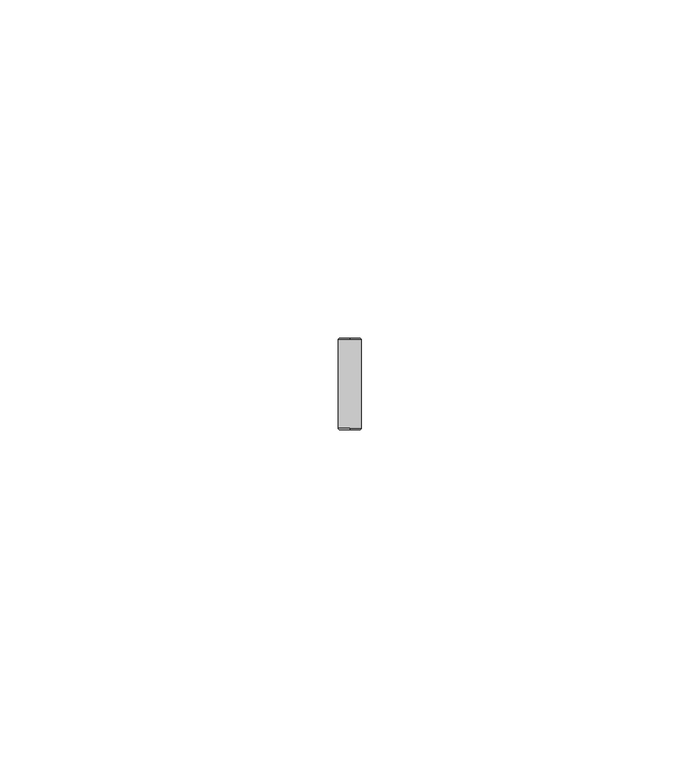
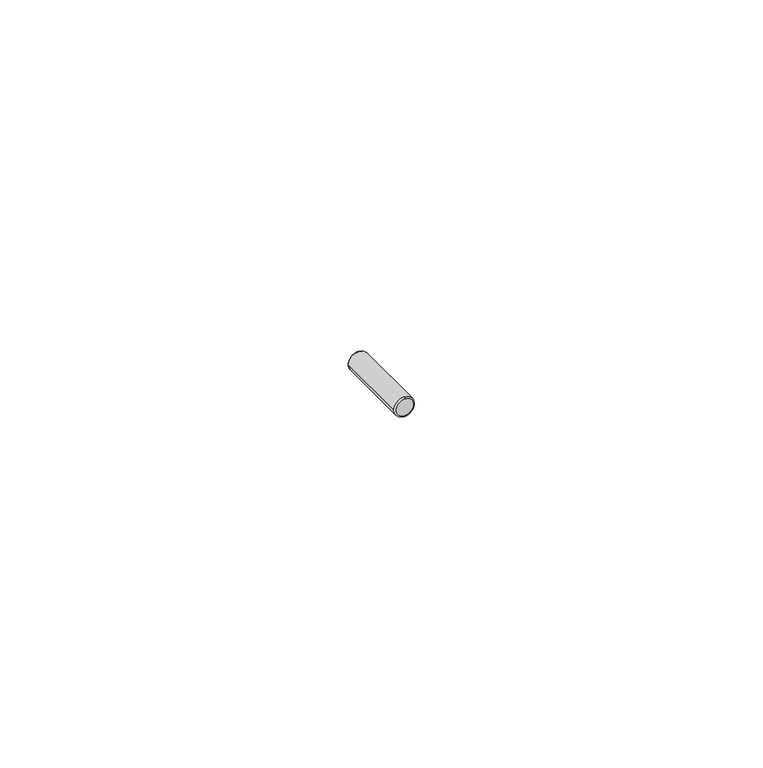
"""IFC4 building model written with IfcOpenShell, lengths in millimetres: proxy geometry."""

from ifc_helpers import new_model, si_unit, point, frame, origin, place, context, project, spatial, circle_curve, ellipse_curve, trimmed, source, transform, mapped, element, save
from ifc_brep_helpers import plane_surface, cylinder_surface, revolved_surface, advanced_brep


def generic_models_676ad0de(model_context):
    return source(origin(), model_context, "Body", "AdvancedBrep", [
        advanced_brep(
        [(0.0, 0.2, -1.69), (0.0, 0.0, -1.49), (-1.49, 0.0, 0.0), (0.0, 0.0, 1.49), (0.0, 0.2, 1.69), (-1.69, 0.2, 0.0), (-1.69, 13.3, 0.0), (1.69, 0.2, 0.0), (1.69, 13.3, 0.0), (0.0, 13.3, 1.69), (0.0, 13.5, -1.49), (0.0, 13.3, -1.69), (0.0, 13.5, 1.49), (-1.49, 13.5, 0.0)],
        [
            (0, 1, circle_curve(frame((0.0, 0.2, -1.49), z_axis=(-1.0, 0.0, 0.0), x_axis=(0.0, 0.0, -1.0)), 0.2)),
            (1, 2, circle_curve(frame((0.0, 0.0, 0.0), z_axis=(0.0, 1.0, 0.0), x_axis=(0.0, 0.0, 1.0)), 1.49)),
            (2, 3, circle_curve(frame((0.0, 0.0, 0.0), z_axis=(0.0, 1.0, 0.0), x_axis=(0.0, 0.0, 1.0)), 1.49)),
            (3, 4, circle_curve(frame((0.0, 0.2, 1.49), z_axis=(-1.0, 0.0, 0.0), x_axis=(0.0, 0.0, 1.0)), 0.2)),
            (4, 5, circle_curve(frame((0.0, 0.2, 0.0), z_axis=(0.0, -1.0, 0.0), x_axis=(0.0, 0.0, 1.0)), 1.69)),
            (5, 0, circle_curve(frame((0.0, 0.2, 0.0), z_axis=(0.0, -1.0, 0.0), x_axis=(0.0, 0.0, 1.0)), 1.69)),
            (6, 5),
            (4, 7, circle_curve(frame((0.0, 0.2, 0.0), z_axis=(0.0, 1.0, 0.0), x_axis=(-1.0, 0.0, 0.0)), 1.69)),
            (7, 8),
            (8, 9, circle_curve(frame((0.0, 13.3, 0.0), z_axis=(0.0, -1.0, 0.0), x_axis=(-1.0, 0.0, 0.0)), 1.69)),
            (9, 6, circle_curve(frame((0.0, 13.3, 0.0), z_axis=(0.0, -1.0, 0.0), x_axis=(-1.0, 0.0, 0.0)), 1.69)),
            (10, 11, circle_curve(frame((0.0, 13.3, -1.49), z_axis=(-1.0, 0.0, 0.0), x_axis=(0.0, 0.0, -1.0)), 0.2)),
            (11, 6, circle_curve(frame((0.0, 13.3, 0.0), z_axis=(0.0, 1.0, 0.0), x_axis=(0.0, 0.0, 1.0)), 1.69)),
            (9, 12, circle_curve(frame((0.0, 13.3, 1.49), z_axis=(-1.0, 0.0, 0.0), x_axis=(0.0, 0.0, 1.0)), 0.2)),
            (12, 13, circle_curve(frame((0.0, 13.5, 0.0), z_axis=(0.0, -1.0, 0.0), x_axis=(0.0, 0.0, 1.0)), 1.49)),
            (13, 10, circle_curve(frame((0.0, 13.5, 0.0), z_axis=(0.0, -1.0, 0.0), x_axis=(0.0, 0.0, 1.0)), 1.49)),
            (10, 12, circle_curve(frame((0.0, 13.5, 0.0), z_axis=(0.0, -1.0, 0.0), x_axis=(0.0, 0.0, -1.0)), 1.49)),
            (8, 11, circle_curve(frame((0.0, 13.3, 0.0), z_axis=(0.0, 1.0, 0.0), x_axis=(0.0, 0.0, -1.0)), 1.69)),
            (7, 0, circle_curve(frame((0.0, 0.2, 0.0), z_axis=(0.0, 1.0, 0.0), x_axis=(-1.0, 0.0, 0.0)), 1.69)),
            (3, 1, circle_curve(frame((0.0, 0.0, 0.0), z_axis=(0.0, 1.0, 0.0), x_axis=(0.0, 0.0, -1.0)), 1.49)),
        ],
        [
            revolved_surface(trimmed(ellipse_curve(frame((0.0, 0.2, 1.49), z_axis=(1.0, 0.0, 0.0), x_axis=(0.0, 0.0, 1.0)), 0.2, 0.2), [point((0.0, 0.2, 1.69))], [point((0.0, 0.0, 1.49))], True, "CARTESIAN"), (0.0, 0.2, 0.0), (0.0, -1.0, 0.0)),
            cylinder_surface(frame((0.0, 6.75, 0.0), z_axis=(0.0, -1.0, 0.0), x_axis=(-1.0, 0.0, 0.0)), 1.69),
            revolved_surface(trimmed(ellipse_curve(frame((0.0, 13.3, 1.49), z_axis=(1.0, 0.0, 0.0), x_axis=(0.0, 0.0, 1.0)), 0.2, 0.2), [point((0.0, 13.5, 1.49))], [point((0.0, 13.3, 1.69))], True, "CARTESIAN"), (0.0, 13.3, 0.0), (0.0, -1.0, 0.0)),
            revolved_surface(trimmed(ellipse_curve(frame((0.0, 13.3, -1.49), z_axis=(-1.0, 0.0, 0.0), x_axis=(0.0, 0.0, -1.0)), 0.2, 0.2), [point((0.0, 13.5, -1.49))], [point((0.0, 13.3, -1.69))], True, "CARTESIAN"), (0.0, 13.3, 0.0), (0.0, -1.0, 0.0)),
            plane_surface(frame((-0.845, 13.5, 0.0), z_axis=(0.0, 1.0, 0.0), x_axis=(0.0, 0.0, 1.0))),
            revolved_surface(trimmed(ellipse_curve(frame((0.0, 0.2, -1.49), z_axis=(-1.0, 0.0, 0.0), x_axis=(0.0, 0.0, -1.0)), 0.2, 0.2), [point((0.0, 0.2, -1.69))], [point((0.0, 0.0, -1.49))], True, "CARTESIAN"), (0.0, 0.2, 0.0), (0.0, -1.0, 0.0)),
            plane_surface(frame((-0.845, 0.0, 0.0), z_axis=(0.0, -1.0, 0.0), x_axis=(0.0, 0.0, -1.0))),
        ],
        [
            (0, [[1, 2, 3, 4, 5, 6]]),
            (1, [[7, -5, 8, 9, 10, 11]]),
            (2, [[12, 13, -11, 14, 15, 16]]),
            (3, [[-12, 17, -14, -10, 18]]),
            (1, [[-7, -13, -18, -9, 19, -6]]),
            (4, [[-16, -15, -17]]),
            (5, [[-1, -19, -8, -4, 20]]),
            (6, [[-3, -2, -20]]),
        ],
    ),
    ])


if __name__ == "__main__":
    model = new_model("IFC4")
    model_context = context("Model", 3, world=origin())
    ifc_project = project(units=[si_unit("LENGTHUNIT", "METRE", prefix="MILLI")], contexts=[model_context])
    site = spatial("IfcSite", under=ifc_project)
    building = spatial("IfcBuilding", under=site)
    placement = place(None, origin())
    generic_models_shape = generic_models_676ad0de(model_context)
    element("IfcBuildingElementProxy", 1, Name="Generic Models", at=placement, inside=building, context=model_context, shape_type="MappedRepresentation", body=[
        mapped(generic_models_shape, transform((0.0, 0.0, 0.0), x_axis=(1.0, 0.0, 0.0), y_axis=(0.0, 1.0, 0.0), z_axis=(0.0, 0.0, 1.0))),
    ])
    save(model, "model.ifc")
